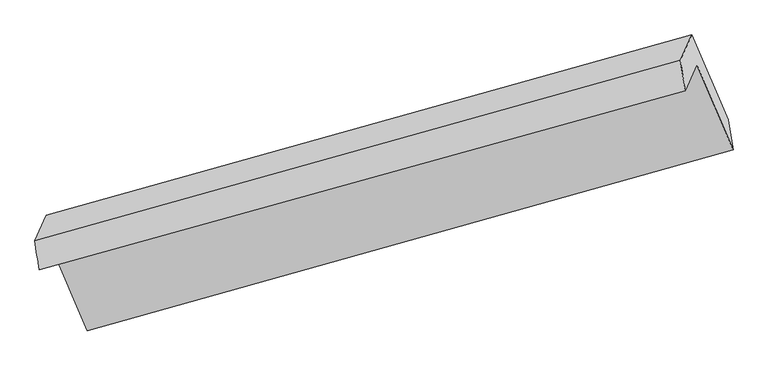
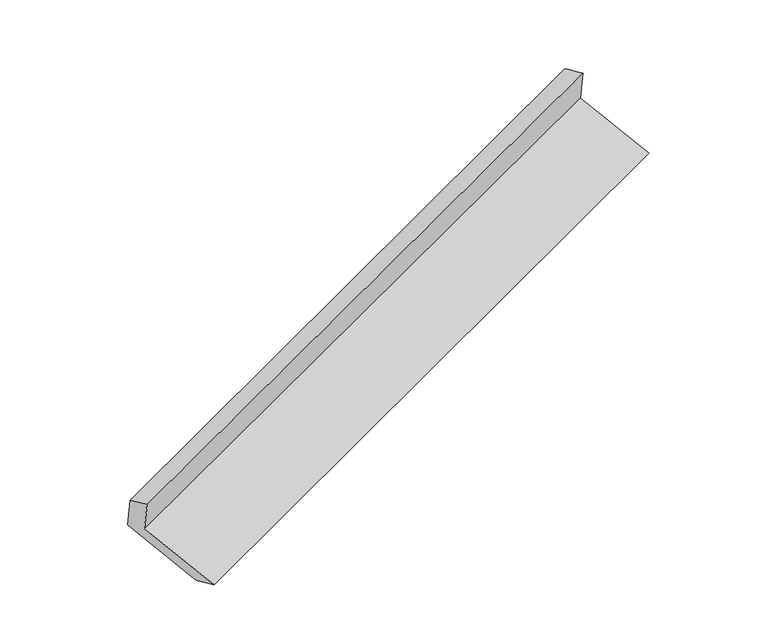
"""IFC4 building model written with IfcOpenShell, lengths in millimetres: proxy geometry."""

from ifc_helpers import new_model, si_unit, frame, origin, place, context, project, spatial, source, transform, mapped, element, save
from ifc_brep_helpers import plane_surface, spline_surface, advanced_brep


def generic_models_532b8c6e(model_context):
    return source(origin(), model_context, "Body", "AdvancedBrep", [
        advanced_brep(
        [(-5166.6547309, -2135.6417339, 1484.805087), (-5089.4482256, -1963.7314664, 1138.4529245), (-714.095821, -746.4553847, 2706.5820357), (-793.2603831, -922.7255189, 3061.7181367), (-5194.9123725, -1938.9639264, 1409.9399595), (-825.2043099, -717.4200903, 2990.3135664), (-5117.7058672, -1767.0536588, 1063.587797), (-747.9978046, -545.5098228, 2643.9614039), (-4872.0534208, -2341.9945724, 832.9777763), (-502.3453582, -1120.4507364, 2413.3513832), (-4840.1094939, -2547.300001, 904.3823467), (-468.4433746, -1321.3962983, 2475.972015)],
        [
            (0, 1),
            (1, 2),
            (2, 3),
            (3, 0),
            (4, 0),
            (3, 5),
            (5, 4),
            (6, 4),
            (5, 7),
            (7, 6),
            (8, 6),
            (7, 9),
            (9, 8),
            (10, 8),
            (9, 11),
            (11, 10),
            (1, 10),
            (11, 2),
        ],
        [
            plane_surface(frame((-5128.0514783, -2049.6866001, 1311.6290057), z_axis=(0.36484264054052307, -0.8638204445004877, -0.3474249376576168), x_axis=(0.19580567785117695, 0.4359866612249853, -0.8783938568518858))),
            spline_surface(1, 1, [[(-5194.9123725, -1938.9639264, 1409.9399595), (-825.2043099, -717.4200903, 2990.3135664)], [(-5166.6547309, -2135.6417339, 1484.805087), (-793.2603831, -922.7255189, 3061.7181367)]], [2, 2], [2, 2], [0.0, 1.0], [0.0, 1.0]),
            plane_surface(frame((-5156.3091198, -1853.0087926, 1236.7638782), z_axis=(-0.3667363700403964, 0.8632931478204359, 0.34674107892760114), x_axis=(-0.19580567785117692, -0.43598666122498536, 0.8783938568518858))),
            plane_surface(frame((-4994.879644, -2054.5241156, 948.2827866), z_axis=(0.19580567785117778, 0.4359866612249822, -0.8783938568518872), x_axis=(-0.3686285272556925, 0.8627621068099297, 0.34605571219991554))),
            spline_surface(1, 1, [[(-4840.1094939, -2547.300001, 904.3823467), (-468.4433746, -1321.3962983, 2475.972015)], [(-4872.0534208, -2341.9945724, 832.9777763), (-502.3453582, -1120.4507364, 2413.3513832)]], [2, 2], [2, 2], [0.0, 1.0], [0.0, 1.0]),
            plane_surface(frame((-4964.7788598, -2255.5157337, 1021.4176356), z_axis=(-0.19391389496938405, -0.43545280713047285, 0.8790780705375342), x_axis=(0.3686285272557007, -0.8627621068099228, -0.34605571219992365))),
            plane_surface(frame((-675.2245085, -895.6596419, 2715.3164235), z_axis=(0.9087206091063084, 0.25604136050018195, 0.3296508399787207), x_axis=(-0.3686285272556925, 0.8627621068099297, 0.34605571219991554))),
            plane_surface(frame((-5046.8140185, -2115.7808932, 1139.0243151), z_axis=(-0.9087206091063051, -0.25604136050019005, -0.3296508399787229), x_axis=(-0.1958056778511758, -0.4359866612249856, 0.8783938568518859))),
        ],
        [
            (0, [[1, 2, 3, 4]]),
            (1, [[5, -4, 6, 7]]),
            (2, [[8, -7, 9, 10]]),
            (3, [[11, -10, 12, 13]]),
            (4, [[14, -13, 15, 16]]),
            (5, [[17, -16, 18, -2]]),
            (6, [[-12, -9, -6, -3, -18, -15]]),
            (7, [[-1, -5, -8, -11, -14, -17]]),
        ],
    ),
    ])


if __name__ == "__main__":
    model = new_model("IFC4")
    model_context = context("Model", 3, world=origin())
    ifc_project = project(units=[si_unit("LENGTHUNIT", "METRE", prefix="MILLI")], contexts=[model_context])
    site = spatial("IfcSite", under=ifc_project)
    building = spatial("IfcBuilding", under=site)
    placement = place(None, origin())
    generic_models_shape = generic_models_532b8c6e(model_context)
    element("IfcBuildingElementProxy", 1, Name="Generic Models", at=placement, inside=building, context=model_context, shape_type="MappedRepresentation", body=[
        mapped(generic_models_shape, transform((0.0, 0.0, 0.0), x_axis=(1.0, 0.0, 0.0), y_axis=(0.0, 1.0, 0.0), z_axis=(0.0, 0.0, 1.0))),
    ])
    save(model, "model.ifc")
